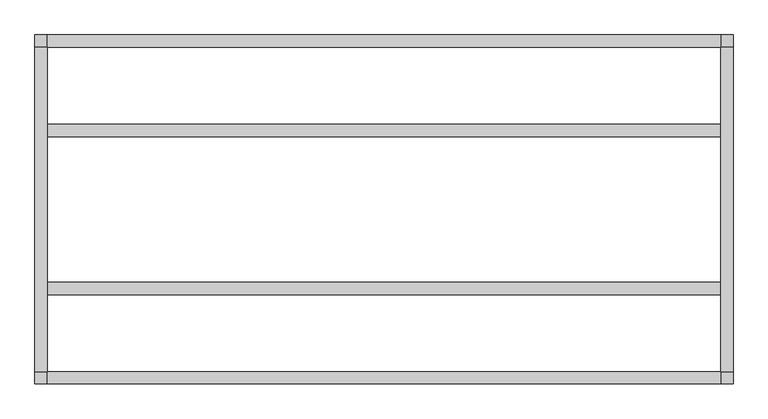
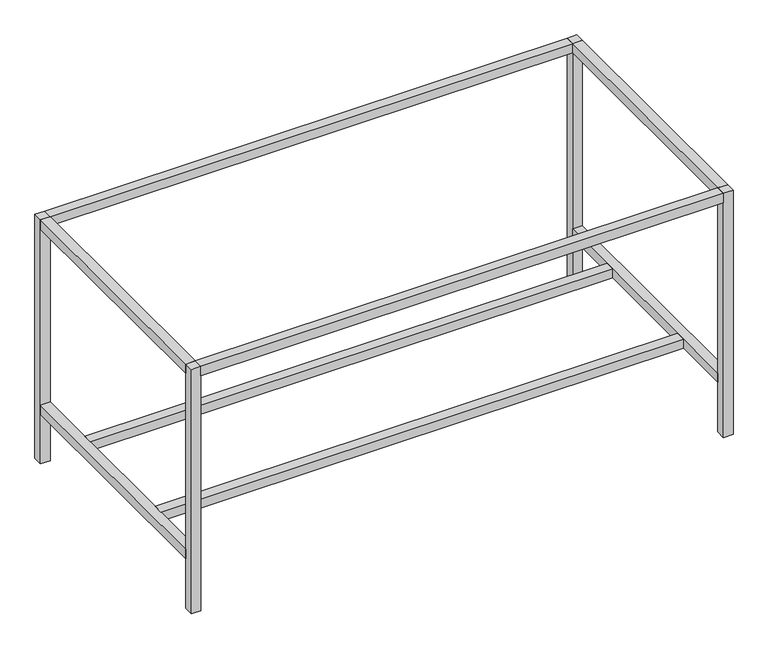
"""IFC4 building model written with IfcOpenShell, lengths in millimetres: furniture geometry."""

from ifc_helpers import new_model, si_unit, frame, origin, origin_with_axes, place, context, project, spatial, polyline, outline, extrude, source, transform, mapped, element, save


def furniture_aafabad7(model_context):
    return source(origin(), model_context, "Body", "SweptSolid", [
        extrude(outline(polyline([(6908.8, 324.9473297), (6908.8, 286.8473297), (4851.4, 286.8473297), (4851.4, 324.9473297), (6908.8, 324.9473297)])), frame((0.0, 0.0, 206.375), z_axis=(0.0, 0.0, 1.0), x_axis=(1.0, 0.0, 0.0)), (0.0, 0.0, 1.0), 38.1),
        extrude(outline(polyline([(6908.8, -157.6527578), (6908.8, -195.7527578), (4851.4, -195.7527578), (4851.4, -157.6527578), (6908.8, -157.6527578)])), frame((0.0, 0.0, 206.375), z_axis=(0.0, 0.0, 1.0), x_axis=(1.0, 0.0, 0.0)), (0.0, 0.0, 1.0), 38.1),
        extrude(outline(polyline([(6908.8, 559.8973297), (4851.4, 559.8973297), (4851.4, 597.9973297), (6908.8, 597.9973297), (6908.8, 559.8973297)])), frame((0.0, 0.0, 977.9), z_axis=(0.0, 0.0, 1.0), x_axis=(1.0, 0.0, 0.0)), (0.0, 0.0, 1.0), 38.1),
        extrude(outline(polyline([(4851.4, -468.8026703), (4851.4, -430.7027578), (6908.8, -430.7027578), (6908.8, -468.8026703), (4851.4, -468.8026703)])), frame((0.0, 0.0, 977.9), z_axis=(0.0, 0.0, 1.0), x_axis=(1.0, 0.0, 0.0)), (0.0, 0.0, 1.0), 38.1),
        extrude(outline(polyline([(6908.8, -430.7027578), (6908.8, 559.8973297), (6946.9, 559.8973297), (6946.9, -430.7027578), (6908.8, -430.7027578)])), frame((0.0, 0.0, 977.9), z_axis=(0.0, 0.0, 1.0), x_axis=(1.0, 0.0, 0.0)), (0.0, 0.0, 1.0), 38.1),
        extrude(outline(polyline([(6908.8, -430.7027578), (6908.8, 559.8973297), (6946.9, 559.8973297), (6946.9, -430.7027578), (6908.8, -430.7027578)])), frame((0.0, 0.0, 206.375), z_axis=(0.0, 0.0, 1.0), x_axis=(1.0, 0.0, 0.0)), (0.0, 0.0, 1.0), 38.1),
        extrude(outline(polyline([(4813.3, -430.7027578), (4813.3, 559.8973297), (4851.4, 559.8973297), (4851.4, -430.7027578), (4813.3, -430.7027578)])), frame((0.0, 0.0, 206.375), z_axis=(0.0, 0.0, 1.0), x_axis=(1.0, 0.0, 0.0)), (0.0, 0.0, 1.0), 38.1),
        extrude(outline(polyline([(4813.3, -430.7027578), (4813.3, 559.8973297), (4851.4, 559.8973297), (4851.4, -430.7027578), (4813.3, -430.7027578)])), frame((0.0, 0.0, 977.9), z_axis=(0.0, 0.0, 1.0), x_axis=(1.0, 0.0, 0.0)), (0.0, 0.0, 1.0), 38.1),
        extrude(outline(polyline([(6946.9, 597.9973297), (6946.9, 559.8973297), (6908.8, 559.8973297), (6908.8, 597.9973297), (6946.9, 597.9973297)])), origin_with_axes(), (0.0, 0.0, 1.0), 1016.0),
        extrude(outline(polyline([(6946.9, -430.7027578), (6946.9, -468.8026703), (6908.8, -468.8026703), (6908.8, -430.7027578), (6946.9, -430.7027578)])), origin_with_axes(), (0.0, 0.0, 1.0), 1016.0),
        extrude(outline(polyline([(4851.4, -430.7027578), (4851.4, -468.8026703), (4813.3, -468.8026703), (4813.3, -430.7027578), (4851.4, -430.7027578)])), origin_with_axes(), (0.0, 0.0, 1.0), 1016.0),
        extrude(outline(polyline([(4851.4, 597.9973297), (4851.4, 559.8973297), (4813.3, 559.8973297), (4813.3, 597.9973297), (4851.4, 597.9973297)])), origin_with_axes(), (0.0, 0.0, 1.0), 1016.0),
    ])


if __name__ == "__main__":
    model = new_model("IFC4")
    model_context = context("Model", 3, world=origin())
    ifc_project = project(units=[si_unit("LENGTHUNIT", "METRE", prefix="MILLI")], contexts=[model_context])
    site = spatial("IfcSite", under=ifc_project)
    building = spatial("IfcBuilding", under=site)
    placement = place(None, origin())
    furniture_shape = furniture_aafabad7(model_context)
    element("IfcFurniture", 1, at=placement, inside=building, context=model_context, shape_type="MappedRepresentation", body=[
        mapped(furniture_shape, transform((0.0, 0.0, 0.0), x_axis=(1.0, 0.0, 0.0), y_axis=(0.0, 1.0, 0.0), z_axis=(0.0, 0.0, 1.0))),
    ])
    save(model, "model.ifc")
